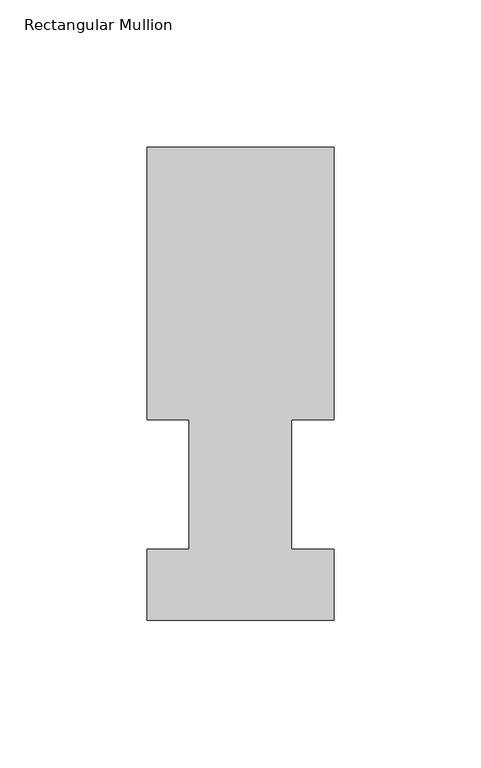
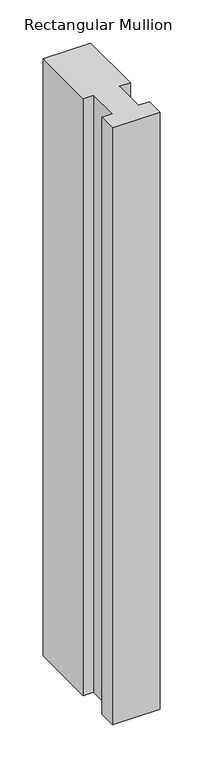
"""IFC4 building model written with IfcOpenShell, lengths in millimetres: member geometry, Rectangular Mullion."""

from ifc_helpers import new_model, si_unit, frame, origin, place, context, project, spatial, polyline, outline, extrude, source, transform, mapped, element, save


def rectangular_mullion_373a86c3(model_context):
    return source(origin(), model_context, "Body", "SweptSolid", [
        extrude(outline(polyline([(31.75, 158.7388875), (31.75, 66.0796875), (17.4625, 66.0796875), (17.4625, 22.1122875), (31.75, 22.1122875), (31.75, -2.0908424), (-31.75, -2.0908424), (-31.75, 22.1122875), (-17.4625, 22.1122875), (-17.4625, 66.0796875), (-31.75, 66.0796875), (-31.75, 158.7388875), (31.75, 158.7388875)])), frame((0.0, 0.0, -844.55), z_axis=(0.0, 0.0, 1.0), x_axis=(1.0, 0.0, 0.0)), (0.0, 0.0, 1.0), 844.55),
    ])


if __name__ == "__main__":
    model = new_model("IFC4")
    model_context = context("Model", 3, world=origin())
    ifc_project = project(units=[si_unit("LENGTHUNIT", "METRE", prefix="MILLI")], contexts=[model_context])
    site = spatial("IfcSite", under=ifc_project)
    building = spatial("IfcBuilding", under=site)
    placement = place(None, origin())
    rectangular_mullion_shape = rectangular_mullion_373a86c3(model_context)
    element("IfcMember", 1, ObjectType="Rectangular Mullion", at=placement, inside=building, context=model_context, shape_type="MappedRepresentation", body=[
        mapped(rectangular_mullion_shape, transform((0.0, 0.0, 0.0), x_axis=(1.0, 0.0, 0.0), y_axis=(0.0, 1.0, 0.0), z_axis=(0.0, 0.0, 1.0))),
    ])
    save(model, "model.ifc")
